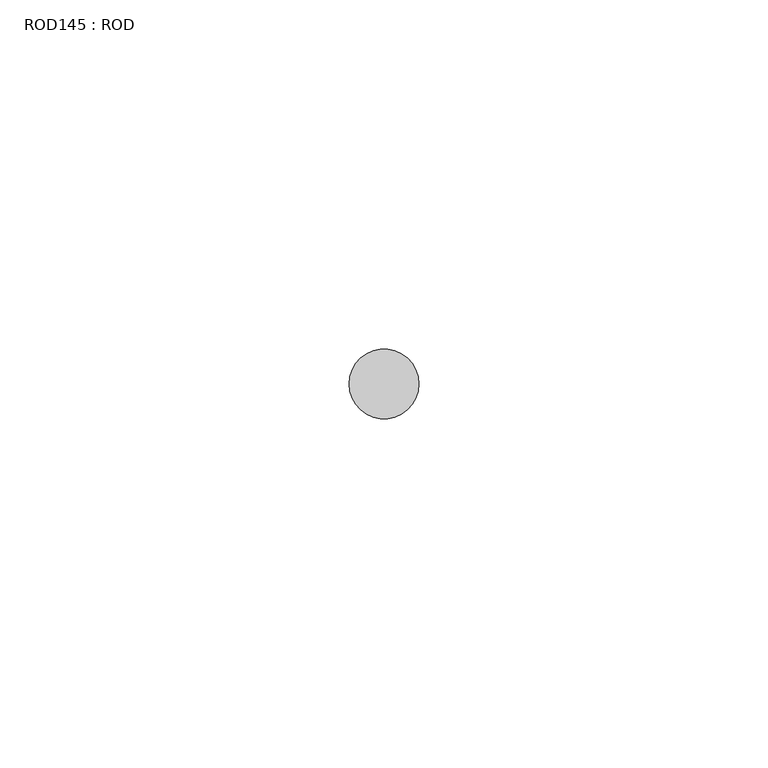
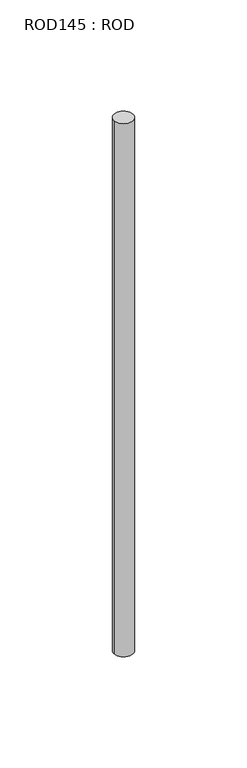
"""IFC4 building model written with IfcOpenShell, lengths in millimetres: proxy geometry, ROD145 : ROD."""

from ifc_helpers import new_model, si_unit, point, frame, frame_2d, origin, place, context, project, spatial, circle_curve, trimmed, segment, composite_curve, outline, extrude, source, transform, mapped, element, save


def rod145_rod_4e040cb0(model_context):
    return source(origin(), model_context, "Body", "SweptSolid", [
        extrude(outline(composite_curve([segment(trimmed(circle_curve(frame_2d((-840.2326676, -23605.8050304)), 5.0), [point((-845.2326676, -23605.8050304))], [point((-835.2326676, -23605.8050304))], False, "CARTESIAN"), True, "CONTINUOUS"), segment(trimmed(circle_curve(frame_2d((-840.2326676, -23605.8050304)), 5.0), [point((-835.2326676, -23605.8050304))], [point((-845.2326676, -23605.8050304))], False, "CARTESIAN"), True, "CONTINUOUS")], self_intersect=False)), frame((0.0, 0.0, 166.3391155), z_axis=(0.0, 0.0, 1.0), x_axis=(1.0, 0.0, 0.0)), (0.0, 0.0, 1.0), 298.9028972),
    ])


if __name__ == "__main__":
    model = new_model("IFC4")
    model_context = context("Model", 3, world=origin())
    ifc_project = project(units=[si_unit("LENGTHUNIT", "METRE", prefix="MILLI")], contexts=[model_context])
    site = spatial("IfcSite", under=ifc_project)
    building = spatial("IfcBuilding", under=site)
    placement = place(None, origin())
    rod145_rod_shape = rod145_rod_4e040cb0(model_context)
    element("IfcBuildingElementProxy", 1, Name="ROD145 : ROD", ObjectType="ROD145 : ROD", at=placement, inside=building, context=model_context, shape_type="MappedRepresentation", body=[
        mapped(rod145_rod_shape, transform((0.0, 0.0, 0.0), x_axis=(1.0, 0.0, 0.0), y_axis=(0.0, 1.0, 0.0), z_axis=(0.0, 0.0, 1.0))),
    ])
    save(model, "model.ifc")
